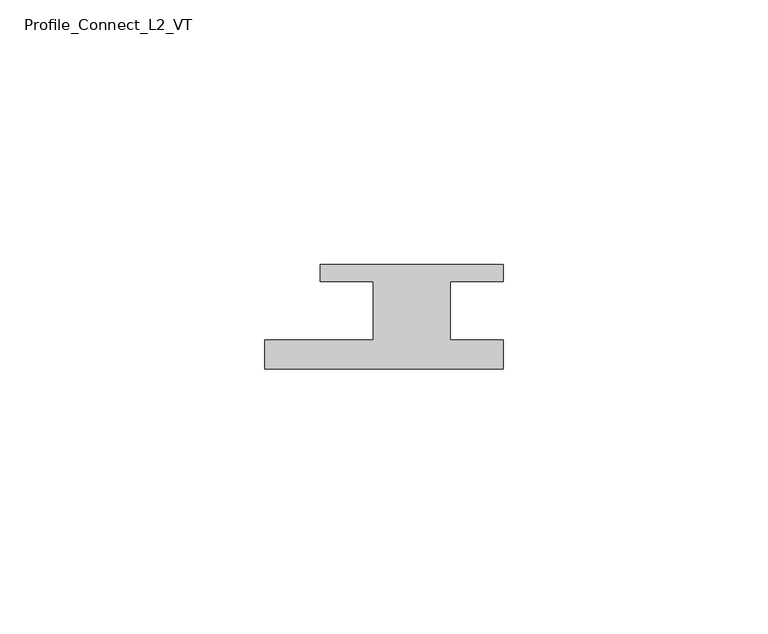
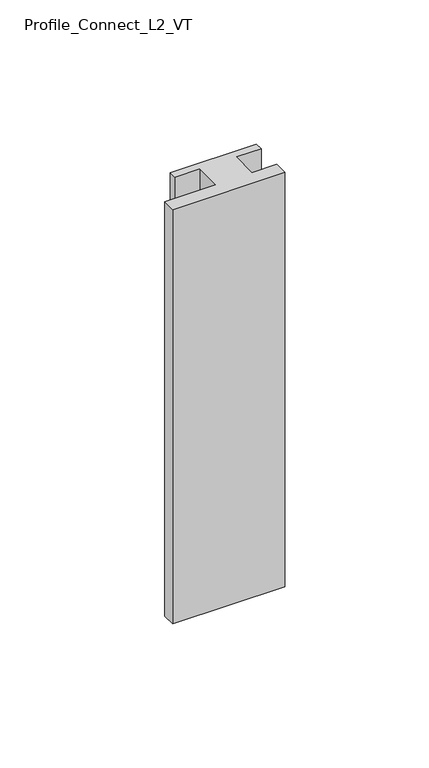
"""IFC4 building model written with IfcOpenShell, lengths in millimetres: member geometry, Profile_Connect_L2_VT."""

from ifc_helpers import new_model, si_unit, frame, origin, place, context, project, spatial, polyline, outline, extrude, source, transform, mapped, element, save


def profile_connect_l2_vt_f10b98c1(model_context):
    return source(origin(), model_context, "Body", "SweptSolid", [
        extrude(outline(polyline([(-28.9, -5.5), (-8.4, -5.5), (-8.4, 5.5), (-18.4, 5.5), (-18.4, 8.7), (16.1, 8.7), (16.1, 5.5), (6.1, 5.5), (6.1, -5.5), (16.1, -5.5), (16.1, -11.0), (-28.9, -11.0), (-28.9, -5.5)])), frame((0.0, 0.0, -175.5), z_axis=(0.0, 0.0, 1.0), x_axis=(1.0, 0.0, 0.0)), (0.0, 0.0, 1.0), 175.5),
    ])


if __name__ == "__main__":
    model = new_model("IFC4")
    model_context = context("Model", 3, world=origin())
    ifc_project = project(units=[si_unit("LENGTHUNIT", "METRE", prefix="MILLI")], contexts=[model_context])
    site = spatial("IfcSite", under=ifc_project)
    building = spatial("IfcBuilding", under=site)
    placement = place(None, origin())
    profile_connect_l2_vt_shape = profile_connect_l2_vt_f10b98c1(model_context)
    element("IfcMember", 1, ObjectType="Profile_Connect_L2_VT", at=placement, inside=building, context=model_context, shape_type="MappedRepresentation", body=[
        mapped(profile_connect_l2_vt_shape, transform((0.0, 0.0, 0.0), x_axis=(1.0, 0.0, 0.0), y_axis=(0.0, 1.0, 0.0), z_axis=(0.0, 0.0, 1.0))),
    ])
    save(model, "model.ifc")
